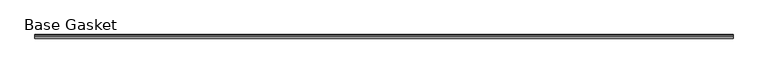
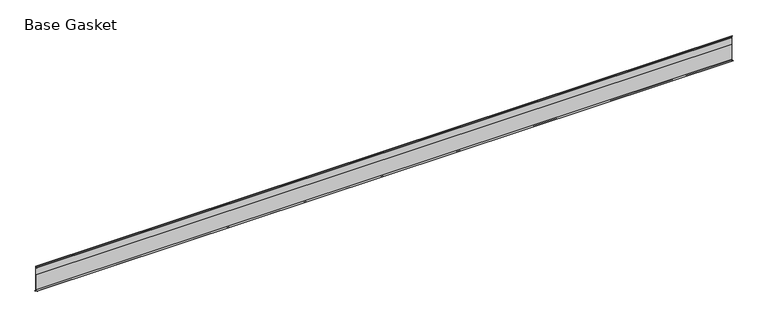
"""IFC4 building model written with IfcOpenShell, lengths in millimetres: furniture geometry, Base Gasket."""

from ifc_helpers import new_model, si_unit, frame, origin, place, context, project, spatial, polyline, outline, extrude, source, transform, mapped, element, save


def base_gasket_2709caf7(model_context):
    return source(origin(), model_context, "Body", "SweptSolid", [
        extrude(outline(polyline([(3.7283812, 98.4568417), (3.7283812, 4.3498477), (7.4222115, 0.6560174), (7.8482342, 0.0), (6.8281054, 0.3520979), (2.2043812, 4.3498477), (2.1334222, 6.3818476), (-6.2405171, 6.3818476), (-6.2405171, 7.9398773), (2.2043812, 7.9398773), (2.2043812, 71.4693447), (1.4106313, 71.4693447), (1.4106313, 96.8693477), (2.2043812, 96.8693477), (2.2043812, 98.4568417), (0.6755308, 104.4162708), (0.6755308, 105.2002997), (1.1891543, 104.587663), (3.7283812, 98.4568417)])), frame((-1527.8982117, 0.0, 0.0), z_axis=(1.0, 0.0, 0.0), x_axis=(0.0, 1.0, 0.0)), (0.0, 0.0, 1.0), 2714.0408),
    ])


if __name__ == "__main__":
    model = new_model("IFC4")
    model_context = context("Model", 3, world=origin())
    ifc_project = project(units=[si_unit("LENGTHUNIT", "METRE", prefix="MILLI")], contexts=[model_context])
    site = spatial("IfcSite", under=ifc_project)
    building = spatial("IfcBuilding", under=site)
    placement = place(None, origin())
    base_gasket_shape = base_gasket_2709caf7(model_context)
    element("IfcFurniture", 1, ObjectType="Base Gasket", at=placement, inside=building, context=model_context, shape_type="MappedRepresentation", body=[
        mapped(base_gasket_shape, transform((0.0, 0.0, 0.0), x_axis=(1.0, 0.0, 0.0), y_axis=(0.0, 1.0, 0.0), z_axis=(0.0, 0.0, 1.0))),
    ])
    save(model, "model.ifc")
